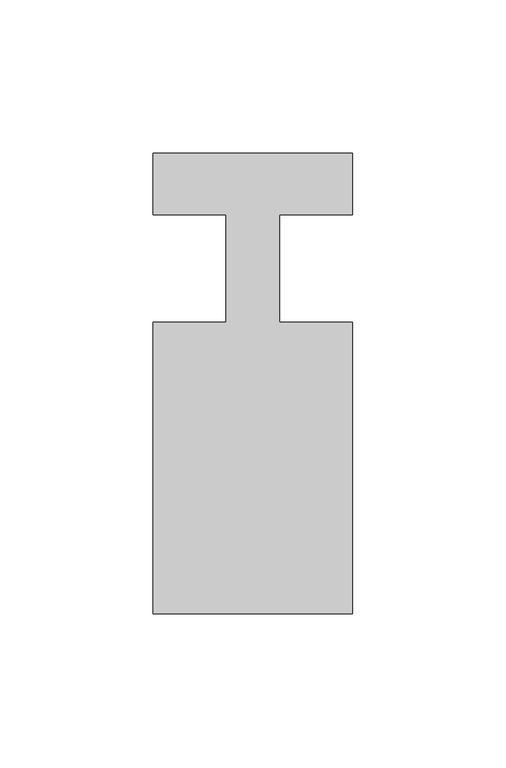
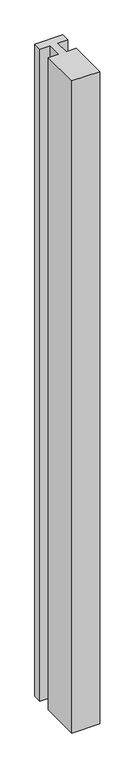
"""IFC4 building model written with IfcOpenShell, lengths in millimetres: member geometry."""

from ifc_helpers import new_model, si_unit, frame, origin, place, context, project, spatial, polyline, outline, extrude, source, transform, mapped, element, save


def member_247068f1(model_context):
    return source(origin(), model_context, "Body", "SweptSolid", [
        extrude(outline(polyline([(-32.5, 37.0), (32.5, 37.0), (32.5, 17.0), (8.6875, 17.0), (8.6875, -18.0), (32.5, -18.0), (32.5, -113.0), (-32.5, -113.0), (-32.5, -18.0), (-8.6875, -18.0), (-8.6875, 17.0), (-32.5, 17.0), (-32.5, 37.0)])), frame((0.0, 0.0, -1611.1875), z_axis=(0.0, 0.0, 1.0), x_axis=(1.0, 0.0, 0.0)), (0.0, 0.0, 1.0), 1611.1875),
    ])


if __name__ == "__main__":
    model = new_model("IFC4")
    model_context = context("Model", 3, world=origin())
    ifc_project = project(units=[si_unit("LENGTHUNIT", "METRE", prefix="MILLI")], contexts=[model_context])
    site = spatial("IfcSite", under=ifc_project)
    building = spatial("IfcBuilding", under=site)
    placement = place(None, origin())
    member_shape = member_247068f1(model_context)
    element("IfcMember", 1, at=placement, inside=building, context=model_context, shape_type="MappedRepresentation", body=[
        mapped(member_shape, transform((0.0, 0.0, 0.0), x_axis=(1.0, 0.0, 0.0), y_axis=(0.0, 1.0, 0.0), z_axis=(0.0, 0.0, 1.0))),
    ])
    save(model, "model.ifc")
